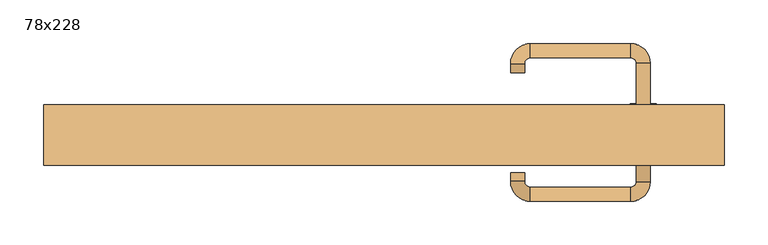
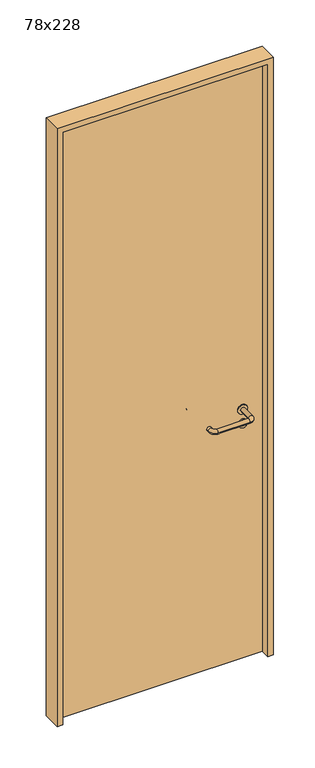
"""IFC4 building model written with IfcOpenShell, lengths in millimetres: door geometry, 78x228."""

import ifcopenshell
import ifcopenshell.guid

model = None  # the IFC model being written
_history = None  # IfcOwnerHistory: only IFC2X3 demands one
_inside = {}  # id of a spatial element -> (the spatial element, [elements in it])
_under = {}  # id of a project, library or spatial element -> (it, [spatial elements below it])
_declared = {}  # id of a project -> (the project, [libraries it declares])
_typed = {}  # id of a type object -> (the type object, [elements of that type])
_made_of = {}  # id of a material, layer set ... -> (it, [elements and type objects made of it])


def new_model(schema):
    """Start an empty IFC model of exactly this schema.

    Asked for "IFC4X3", IfcOpenShell would pick the latest addendum, in which some entities
    have other attributes; the version numbers below select the first issue.
    IFC2X3 requires an IfcOwnerHistory on every rooted entity: one is made here for all.
    """
    global model, _history
    if schema == "IFC4X3":
        model = ifcopenshell.file(schema_version=(4, 3, 0, 0))
    else:
        model = ifcopenshell.file(schema=schema)
    _inside.clear()
    _under.clear()
    _declared.clear()
    _typed.clear()
    _made_of.clear()
    _history = None
    if model.schema == "IFC2X3":
        org = make("IfcOrganization", Name="unknown")
        user = make(
            "IfcPersonAndOrganization",
            ThePerson=make("IfcPerson", FamilyName="unknown"),
            TheOrganization=org,
        )
        app = make(
            "IfcApplication",
            ApplicationDeveloper=org,
            Version="unknown",
            ApplicationFullName="unknown",
            ApplicationIdentifier="unknown",
        )
        _history = make(
            "IfcOwnerHistory",
            OwningUser=user,
            OwningApplication=app,
            ChangeAction="ADDED",
            CreationDate=0,
        )
    return model


def make(cls, **values):
    """One entity of the class cls with the attributes given. An attribute that is None is left unset."""
    return model.create_entity(
        cls, **{name: value for name, value in values.items() if value is not None}
    )


def rooted(cls, **values):
    """An entity with a GlobalId (a new one), such as an element, a storey or a relation."""
    return make(cls, GlobalId=ifcopenshell.guid.new(), OwnerHistory=_history, **values)


def si_unit(unit_type, name, prefix=None):
    """IfcSIUnit, for example si_unit("LENGTHUNIT", "METRE", prefix="MILLI")."""
    return make("IfcSIUnit", UnitType=unit_type, Prefix=prefix, Name=name)


def assignment(units):
    """IfcUnitAssignment: the units of a project."""
    return None if units is None else make("IfcUnitAssignment", Units=units)


def point(xyz):
    """IfcCartesianPoint."""
    return None if xyz is None else make("IfcCartesianPoint", Coordinates=xyz)


def direction(xyz):
    """IfcDirection."""
    return None if xyz is None else make("IfcDirection", DirectionRatios=xyz)


def frame(location, z_axis=None, x_axis=None):
    """IfcAxis2Placement3D, a coordinate frame: its origin and axes. An axis left out is left unset."""
    return make(
        "IfcAxis2Placement3D",
        Location=point(location),
        Axis=direction(z_axis),
        RefDirection=direction(x_axis),
    )


def frame_2d(location, x_axis=None):
    """IfcAxis2Placement2D, a coordinate frame in the plane: its origin and x axis."""
    return make(
        "IfcAxis2Placement2D", Location=point(location), RefDirection=direction(x_axis)
    )


def origin():
    """The frame at (0, 0, 0) with its axes left unset."""
    return frame((0.0, 0.0, 0.0))


def origin_with_axes():
    """The frame at (0, 0, 0) with the z axis (0, 0, 1) and the x axis (1, 0, 0) written out."""
    return frame((0.0, 0.0, 0.0), z_axis=(0.0, 0.0, 1.0), x_axis=(1.0, 0.0, 0.0))


def place(relative_to, where):
    """IfcLocalPlacement: puts the frame where relative to a parent placement (None: the world)."""
    return make(
        "IfcLocalPlacement", PlacementRelTo=relative_to, RelativePlacement=where
    )


def context(
    kind, dimensions, precision=None, world=None, true_north=None, identifier=None
):
    """IfcGeometricRepresentationContext, for example the 3D "Model" context."""
    return make(
        "IfcGeometricRepresentationContext",
        ContextIdentifier=identifier,
        ContextType=kind,
        CoordinateSpaceDimension=dimensions,
        Precision=precision,
        WorldCoordinateSystem=world,
        TrueNorth=true_north,
    )


def project(units=None, contexts=None):
    """IfcProject with its units and contexts."""
    return rooted(
        "IfcProject",
        Name="project",
        RepresentationContexts=contexts,
        UnitsInContext=assignment(units),
    )


def spatial(cls, under=None, at=None, **own):
    """A site, building, storey or space (cls), placed at a placement, below another one or the project."""
    s = rooted(cls, ObjectPlacement=at, **own)
    if under is not None:
        _under.setdefault(under.id(), (under, []))[1].append(s)
    return s


def polyline(points):
    """IfcPolyline through the points."""
    return make("IfcPolyline", Points=[point(p) for p in points])


def circle_curve(where, radius):
    """IfcCircle in the frame where."""
    return make("IfcCircle", Position=where, Radius=radius)


def ellipse_curve(where, semi_axis1, semi_axis2):
    """IfcEllipse in the frame where."""
    return make(
        "IfcEllipse", Position=where, SemiAxis1=semi_axis1, SemiAxis2=semi_axis2
    )


def trimmed(basis, trim1, trim2, sense, master):
    """IfcTrimmedCurve: the piece of a basis curve between two trims."""
    return make(
        "IfcTrimmedCurve",
        BasisCurve=basis,
        Trim1=trim1,
        Trim2=trim2,
        SenseAgreement=sense,
        MasterRepresentation=master,
    )


def segment(curve, same_sense, transition):
    """IfcCompositeCurveSegment."""
    return make(
        "IfcCompositeCurveSegment",
        Transition=transition,
        SameSense=same_sense,
        ParentCurve=curve,
    )


def composite_curve(segments, self_intersect=None):
    """IfcCompositeCurve: segments joined end to end."""
    return make("IfcCompositeCurve", Segments=segments, SelfIntersect=self_intersect)


def outline(outer, holes=None, kind="AREA"):
    """IfcArbitraryClosedProfileDef: a profile drawn as a closed curve; with holes, ...WithVoids."""
    if holes is None:
        return make("IfcArbitraryClosedProfileDef", ProfileType=kind, OuterCurve=outer)
    return make(
        "IfcArbitraryProfileDefWithVoids",
        ProfileType=kind,
        OuterCurve=outer,
        InnerCurves=holes,
    )


def extrude(swept, where, along, depth):
    """IfcExtrudedAreaSolid: the profile swept, set in the frame where, extruded along a direction by depth."""
    return make(
        "IfcExtrudedAreaSolid",
        SweptArea=swept,
        Position=where,
        ExtrudedDirection=direction(along),
        Depth=depth,
    )


def shape(context_of_items, identifier, shape_type, items):
    """IfcShapeRepresentation: the items that make up one representation, for example the "Body"."""
    return make(
        "IfcShapeRepresentation",
        ContextOfItems=context_of_items,
        RepresentationIdentifier=identifier,
        RepresentationType=shape_type,
        Items=items,
    )


def source(mapping_origin, context_of_items, identifier, shape_type, items):
    """IfcRepresentationMap: a shape defined once, which mapped items show again and again."""
    return make(
        "IfcRepresentationMap",
        MappingOrigin=mapping_origin,
        MappedRepresentation=shape(context_of_items, identifier, shape_type, items),
    )


def transform(
    local_origin,
    x_axis=None,
    y_axis=None,
    z_axis=None,
    scale=None,
    scale2=None,
    scale3=None,
    uniform=True,
):
    """IfcCartesianTransformationOperator3D, or its non-uniform kind. x_axis, y_axis, z_axis: its Axis1, 2, 3."""
    if uniform:
        return make(
            "IfcCartesianTransformationOperator3D",
            Axis1=direction(x_axis),
            Axis2=direction(y_axis),
            LocalOrigin=point(local_origin),
            Scale=scale,
            Axis3=direction(z_axis),
        )
    return make(
        "IfcCartesianTransformationOperator3DnonUniform",
        Axis1=direction(x_axis),
        Axis2=direction(y_axis),
        LocalOrigin=point(local_origin),
        Scale=scale,
        Axis3=direction(z_axis),
        Scale2=scale2,
        Scale3=scale3,
    )


def mapped(mapping_source, mapping_target):
    """IfcMappedItem: shows the shape of a source again, moved by a transform."""
    return make(
        "IfcMappedItem", MappingSource=mapping_source, MappingTarget=mapping_target
    )


def made_of(thing, what):
    """Note that an element or type object is made of a material, layer set ...; save() writes the relation."""
    if what is not None:
        _made_of.setdefault(what.id(), (what, []))[1].append(thing)
    return thing


def element(
    cls,
    number,
    at=None,
    inside=None,
    cuts=None,
    type_object=None,
    material=None,
    context=None,
    identifier="Body",
    shape_type=None,
    held_by="IfcProductDefinitionShape",
    body=None,
    shapes=None,
    **own,
):
    """One element of the class cls, such as IfcWall. Its Tag is "e" and its number.

    at: its placement. inside: the storey or other place that contains it. cuts: it is an
    opening in that element (IfcRelVoidsElement). A single representation is given by context,
    identifier, shape_type and body (its items); several are given by shapes. held_by: the class
    of the entity that holds the representations. save() writes the other relations.
    """
    e = rooted(cls, Tag="e%d" % number, ObjectPlacement=at, **own)
    if body is not None:
        shapes = [shape(context, identifier, shape_type, body)]
    if shapes is not None:
        e.Representation = make(held_by, Representations=shapes)
    if inside is not None:
        _inside.setdefault(inside.id(), (inside, []))[1].append(e)
    if cuts is not None:
        rooted(
            "IfcRelVoidsElement", RelatingBuildingElement=cuts, RelatedOpeningElement=e
        )
    if type_object is not None:
        _typed.setdefault(type_object.id(), (type_object, []))[1].append(e)
    return made_of(e, material)


def aggregate(whole, parts):
    """IfcRelAggregates: a whole, such as a stair, and the parts it consists of."""
    return rooted("IfcRelAggregates", RelatingObject=whole, RelatedObjects=parts)


def save(model, path):
    """Write the relations noted so far, then the file.

    IfcRelAggregates (storeys below a building ...), IfcRelContainedInSpatialStructure (elements
    in a storey), IfcRelDefinesByType, IfcRelAssociatesMaterial and IfcRelDeclares: one each for
    every whole, place, type object, material and project.
    """
    for whole, parts in _under.values():
        aggregate(whole, parts)
    for where, things in _inside.values():
        rooted(
            "IfcRelContainedInSpatialStructure",
            RelatedElements=things,
            RelatingStructure=where,
        )
    for kind, things in _typed.values():
        rooted("IfcRelDefinesByType", RelatedObjects=things, RelatingType=kind)
    for what, things in _made_of.values():
        rooted("IfcRelAssociatesMaterial", RelatedObjects=things, RelatingMaterial=what)
    for by, libraries in _declared.values():
        rooted("IfcRelDeclares", RelatingContext=by, RelatedDefinitions=libraries)
    model.write(path)


def plane_surface(at):
    """IfcPlane: the flat surface through the origin of the frame at, square to its z axis."""
    return make("IfcPlane", Position=at)


def cylinder_surface(at, radius):
    """IfcCylindricalSurface: all points at the distance radius from the z axis of the frame at."""
    return make("IfcCylindricalSurface", Position=at, Radius=radius)


def revolved_surface(curve, axis_point, axis_direction):
    """IfcSurfaceOfRevolution: the curve turned about the line through axis_point along axis_direction."""
    return make(
        "IfcSurfaceOfRevolution",
        SweptCurve=make("IfcArbitraryOpenProfileDef", ProfileType="CURVE", Curve=curve),
        AxisPosition=make("IfcAxis1Placement", Location=point(axis_point), Axis=direction(axis_direction)),
    )


def advanced_brep(points, edges, surfaces, faces):
    """IfcAdvancedBrep: a solid bounded by faces that lie on surfaces and meet in shared edges.

    An edge is (start, end): straight between two places in points (the first is 0);
    or (start, end, curve); or (start, end, curve, False) where it runs against its curve.
    A face is (place in surfaces, loops), or (place, loops, False) where it looks against
    its surface's normal. A loop lists edges by number (the first is 1), with a minus sign
    where the edge is run from its end to its start. The first loop is the outer one.
    """
    corners = [point(p) for p in points]
    vertices = [make("IfcVertexPoint", VertexGeometry=c) for c in corners]
    made = []
    for start, end, *more in edges:
        made.append(
            make(
                "IfcEdgeCurve",
                EdgeStart=vertices[start],
                EdgeEnd=vertices[end],
                EdgeGeometry=more[0] if more else make("IfcPolyline", Points=[corners[start], corners[end]]),
                SameSense=more[1] if len(more) > 1 else True,
            )
        )
    hull = []
    for where, loops, *sense in faces:
        bounds = []
        for j, loop in enumerate(loops):
            ring = [make("IfcOrientedEdge", EdgeElement=made[abs(k) - 1], Orientation=k > 0) for k in loop]
            bounds.append(
                make(
                    "IfcFaceOuterBound" if j == 0 else "IfcFaceBound",
                    Bound=make("IfcEdgeLoop", EdgeList=ring),
                    Orientation=True,
                )
            )
        hull.append(make("IfcAdvancedFace", Bounds=bounds, FaceSurface=surfaces[where], SameSense=sense[0] if sense else True))
    return make("IfcAdvancedBrep", Outer=make("IfcClosedShell", CfsFaces=hull))


def door_78x228_dbd31510(model_context):
    return source(origin(), model_context, "Body", "SolidModel", [
        extrude(outline(composite_curve([segment(trimmed(circle_curve(frame_2d((897.3605726, 297.0)), 15.0), [point((897.3605726, 312.0))], [point((897.3605726, 282.0))], False, "CARTESIAN"), True, "CONTINUOUS"), segment(trimmed(circle_curve(frame_2d((897.3605726, 297.0)), 15.0), [point((897.3605726, 282.0))], [point((897.3605726, 312.0))], False, "CARTESIAN"), True, "CONTINUOUS")], self_intersect=False), holes=[composite_curve([segment(trimmed(circle_curve(frame_2d((892.5833211, 296.9398032)), 2.0), [point((892.5833211, 298.9398032))], [point((892.5833211, 294.9398032))], True, "CARTESIAN"), True, "CONTINUOUS"), segment(polyline([(892.5833211, 294.9398032), (902.5833211, 294.9398032)]), True, "CONTINUOUS"), segment(trimmed(circle_curve(frame_2d((902.5833211, 296.9398032)), 2.0), [point((902.5833211, 294.9398032))], [point((902.5833211, 298.9398032))], True, "CARTESIAN"), True, "CONTINUOUS"), segment(polyline([(902.5833211, 298.9398032), (892.5833211, 298.9398032)]), True, "CONTINUOUS")], self_intersect=False)]), frame((0.0, 308.65, 0.0), z_axis=(0.0, 1.0, 0.0), x_axis=(0.0, 0.0, 1.0)), (0.0, 0.0, 1.0), 6.35),
        extrude(outline(composite_curve([segment(trimmed(circle_curve(frame_2d((950.0, 297.0)), 17.526), [point((950.0, 314.526))], [point((950.0, 279.474))], False, "CARTESIAN"), True, "CONTINUOUS"), segment(trimmed(circle_curve(frame_2d((950.0, 297.0)), 17.526), [point((950.0, 279.474))], [point((950.0, 314.526))], False, "CARTESIAN"), True, "CONTINUOUS")], self_intersect=False)), frame((0.0, 311.825, 0.0), z_axis=(0.0, 1.0, 0.0), x_axis=(0.0, 0.0, 1.0)), (0.0, 0.0, 1.0), 3.175),
        advanced_brep(
        [(305.0, 315.0, 950.0), (289.0, 315.0, 950.0), (289.0, 262.0, 950.0), (305.0, 262.0, 950.0), (282.8578644, 255.8578644, 950.0), (282.8578644, 239.8578644, 950.0), (167.8578644, 255.8578644, 950.0), (167.8578644, 239.8578644, 950.0), (161.008622, 262.7071068, 950.0), (145.008622, 262.7071068, 950.0), (145.008622, 272.7071068, 950.0), (161.008622, 272.7071068, 950.0)],
        [
            (0, 1, circle_curve(frame((297.0, 315.0, 950.0), z_axis=(0.0, 1.0, 0.0), x_axis=(-1.0, 0.0, 0.0)), 8.0)),
            (1, 0, circle_curve(frame((297.0, 315.0, 950.0), z_axis=(0.0, 1.0, 0.0), x_axis=(-1.0, 0.0, 0.0)), 8.0)),
            (1, 2),
            (2, 3, circle_curve(frame((297.0, 262.0, 950.0), z_axis=(0.0, 1.0, 0.0), x_axis=(-1.0, 0.0, 0.0)), 8.0)),
            (3, 0),
            (3, 2, circle_curve(frame((297.0, 262.0, 950.0), z_axis=(0.0, 1.0, 0.0), x_axis=(-1.0, 0.0, 0.0)), 8.0)),
            (4, 5, circle_curve(frame((282.8578644, 247.8578644, 950.0), z_axis=(1.0, 0.0, 0.0), x_axis=(0.0, 1.0, 0.0)), 8.0)),
            (5, 3, circle_curve(frame((282.8578644, 262.0, 950.0), z_axis=(0.0, 0.0, 1.0), x_axis=(1.0, 0.0, 0.0)), 22.1421356)),
            (2, 4, circle_curve(frame((282.8578644, 262.0, 950.0), z_axis=(0.0, 0.0, -1.0), x_axis=(1.0, 0.0, 0.0)), 6.1421356)),
            (5, 4, circle_curve(frame((282.8578644, 247.8578644, 950.0), z_axis=(1.0, 0.0, 0.0), x_axis=(0.0, 1.0, 0.0)), 8.0)),
            (4, 6),
            (6, 7, circle_curve(frame((167.8578644, 247.8578644, 950.0), z_axis=(1.0, 0.0, 0.0), x_axis=(0.0, 1.0, 0.0)), 8.0)),
            (7, 5),
            (7, 6, circle_curve(frame((167.8578644, 247.8578644, 950.0), z_axis=(1.0, 0.0, 0.0), x_axis=(0.0, 1.0, 0.0)), 8.0)),
            (8, 9, circle_curve(frame((153.008622, 262.7071068, 950.0), z_axis=(0.0, -1.0, 0.0), x_axis=(1.0, 0.0, 0.0)), 8.0)),
            (9, 7, circle_curve(frame((167.8578644, 262.7071068, 950.0), z_axis=(0.0, 0.0, 1.0), x_axis=(0.0, -1.0, 0.0)), 22.8492424)),
            (6, 8, circle_curve(frame((167.8578644, 262.7071068, 950.0), z_axis=(0.0, 0.0, -1.0), x_axis=(0.0, -1.0, 0.0)), 6.8492424)),
            (9, 8, circle_curve(frame((153.008622, 262.7071068, 950.0), z_axis=(0.0, -1.0, 0.0), x_axis=(1.0, 0.0, 0.0)), 8.0)),
            (10, 11, circle_curve(frame((153.008622, 272.7071068, 950.0), z_axis=(0.0, 1.0, 0.0), x_axis=(1.0, 0.0, 0.0)), 8.0)),
            (11, 10, circle_curve(frame((153.008622, 272.7071068, 950.0), z_axis=(0.0, 1.0, 0.0), x_axis=(1.0, 0.0, 0.0)), 8.0)),
            (8, 11),
            (10, 9),
        ],
        [
            plane_surface(frame((297.0, 315.0, 0.0), z_axis=(0.0, 1.0, 0.0), x_axis=(0.0, 0.0, 1.0))),
            cylinder_surface(frame((297.0, 315.0, 950.0), z_axis=(0.0, 1.0, 0.0), x_axis=(-1.0, 0.0, 0.0)), 8.0),
            revolved_surface(trimmed(ellipse_curve(frame((297.0, 262.0, 950.0), z_axis=(0.0, -1.0, 0.0), x_axis=(-1.0, 0.0, 0.0)), 8.0, 8.0), [point((305.0, 262.0, 950.0))], [point((289.0, 262.0, 950.0))], True, "CARTESIAN"), (282.8578644, 262.0, 0.0), (0.0, 0.0, 1.0)),
            revolved_surface(trimmed(ellipse_curve(frame((297.0, 262.0, 950.0), z_axis=(0.0, -1.0, 0.0), x_axis=(-1.0, 0.0, 0.0)), 8.0, 8.0), [point((289.0, 262.0, 950.0))], [point((305.0, 262.0, 950.0))], True, "CARTESIAN"), (282.8578644, 262.0, 0.0), (0.0, 0.0, 1.0)),
            cylinder_surface(frame((282.8578644, 247.8578644, 950.0), z_axis=(1.0, 0.0, 0.0), x_axis=(0.0, 1.0, 0.0)), 8.0),
            revolved_surface(trimmed(ellipse_curve(frame((167.8578644, 247.8578644, 950.0), z_axis=(-1.0, 0.0, 0.0), x_axis=(0.0, 1.0, 0.0)), 8.0, 8.0), [point((167.8578644, 239.8578644, 950.0))], [point((167.8578644, 255.8578644, 950.0))], True, "CARTESIAN"), (167.8578644, 262.7071068, 0.0), (0.0, 0.0, 1.0)),
            revolved_surface(trimmed(ellipse_curve(frame((167.8578644, 247.8578644, 950.0), z_axis=(-1.0, 0.0, 0.0), x_axis=(0.0, 1.0, 0.0)), 8.0, 8.0), [point((167.8578644, 255.8578644, 950.0))], [point((167.8578644, 239.8578644, 950.0))], True, "CARTESIAN"), (167.8578644, 262.7071068, 0.0), (0.0, 0.0, 1.0)),
            plane_surface(frame((153.008622, 272.7071068, 0.0), z_axis=(0.0, 1.0, 0.0), x_axis=(0.0, 0.0, 1.0))),
            cylinder_surface(frame((153.008622, 262.7071068, 950.0), z_axis=(0.0, -1.0, 0.0), x_axis=(1.0, 0.0, 0.0)), 8.0),
        ],
        [
            (0, [[1, 2]]),
            (1, [[3, 4, 5, -2]]),
            (1, [[-5, 6, -3, -1]]),
            (2, [[7, 8, -4, 9]]),
            (3, [[10, -9, -6, -8]]),
            (4, [[11, 12, 13, -7]]),
            (4, [[-13, 14, -11, -10]]),
            (5, [[15, 16, -12, 17]]),
            (6, [[18, -17, -14, -16]]),
            (7, [[19, 20]]),
            (8, [[21, -19, 22, -15]]),
            (8, [[-22, -20, -21, -18]]),
        ],
    ),
        extrude(outline(composite_curve([segment(trimmed(circle_curve(frame_2d((0.0, -15.0)), 15.0), [point((0.0, -30.0))], [point((0.0, 0.0))], False, "CARTESIAN"), True, "CONTINUOUS"), segment(trimmed(circle_curve(frame_2d((0.0, -15.0)), 15.0), [point((0.0, 0.0))], [point((0.0, -30.0))], False, "CARTESIAN"), True, "CONTINUOUS")], self_intersect=False), holes=[composite_curve([segment(trimmed(circle_curve(frame_2d((4.7772515, -14.9398032)), 2.0), [point((4.7772515, -16.9398032))], [point((4.7772515, -12.9398032))], True, "CARTESIAN"), True, "CONTINUOUS"), segment(polyline([(4.7772515, -12.9398032), (-5.2227485, -12.9398032)]), True, "CONTINUOUS"), segment(trimmed(circle_curve(frame_2d((-5.2227485, -14.9398032)), 2.0), [point((-5.2227485, -12.9398032))], [point((-5.2227485, -16.9398032))], True, "CARTESIAN"), True, "CONTINUOUS"), segment(polyline([(-5.2227485, -16.9398032), (4.7772515, -16.9398032)]), True, "CONTINUOUS")], self_intersect=False)]), frame((282.0, 345.0, 897.3605726), z_axis=(1.8870575173328306e-12, 1.0, 0.0), x_axis=(0.0, 0.0, -1.0)), (0.0, 0.0, 1.0), 6.35),
        extrude(outline(composite_curve([segment(trimmed(circle_curve(frame_2d((0.0, -17.526)), 17.526), [point((0.0, -35.052))], [point((0.0, 0.0))], False, "CARTESIAN"), True, "CONTINUOUS"), segment(trimmed(circle_curve(frame_2d((0.0, -17.526)), 17.526), [point((0.0, 0.0))], [point((0.0, -35.052))], False, "CARTESIAN"), True, "CONTINUOUS")], self_intersect=False)), frame((279.474, 345.0, 950.0), z_axis=(1.8870575173328306e-12, 1.0, 0.0), x_axis=(0.0, 0.0, -1.0)), (0.0, 0.0, 1.0), 3.175),
        advanced_brep(
        [(305.0, 345.0, 950.0), (289.0, 345.0, 950.0), (305.0, 398.0, 950.0), (289.0, 398.0, 950.0), (282.8578644, 404.1421356, 950.0), (282.8578644, 420.1421356, 950.0), (167.8578644, 420.1421356, 950.0), (167.8578644, 404.1421356, 950.0), (161.008622, 397.2928932, 950.0), (145.008622, 397.2928932, 950.0), (145.008622, 387.2928932, 950.0), (161.008622, 387.2928932, 950.0)],
        [
            (0, 1, circle_curve(frame((297.0, 345.0, 950.0), z_axis=(-1.888672253512351e-12, -1.0, 0.0), x_axis=(-1.0, 1.888672253512351e-12, 0.0)), 8.0)),
            (1, 0, circle_curve(frame((297.0, 345.0, 950.0), z_axis=(-1.888672253512351e-12, -1.0, 0.0), x_axis=(-1.0, 1.888672253512351e-12, 0.0)), 8.0)),
            (0, 2),
            (2, 3, circle_curve(frame((297.0, 398.0, 950.0), z_axis=(-1.888672253512351e-12, -1.0, 0.0), x_axis=(-1.0, 1.888672253512351e-12, 0.0)), 8.0)),
            (3, 1),
            (3, 2, circle_curve(frame((297.0, 398.0, 950.0), z_axis=(-1.888672253512351e-12, -1.0, 0.0), x_axis=(-1.0, 1.888672253512351e-12, 0.0)), 8.0)),
            (4, 3, circle_curve(frame((282.8578644, 398.0, 950.0), z_axis=(0.0, 0.0, -1.0), x_axis=(1.0, -1.880717803715015e-12, 0.0)), 6.1421356)),
            (2, 5, circle_curve(frame((282.8578644, 398.0, 950.0), z_axis=(0.0, 0.0, 1.0), x_axis=(1.0, -1.880717803715015e-12, 0.0)), 22.1421356)),
            (5, 4, circle_curve(frame((282.8578644, 412.1421356, 950.0), z_axis=(1.0, -1.913702061528922e-12, 0.0), x_axis=(-1.913702061528922e-12, -1.0, 0.0)), 8.0)),
            (4, 5, circle_curve(frame((282.8578644, 412.1421356, 950.0), z_axis=(1.0, -1.913702061528922e-12, 0.0), x_axis=(-1.913702061528922e-12, -1.0, 0.0)), 8.0)),
            (5, 6),
            (6, 7, circle_curve(frame((167.8578644, 412.1421356, 950.0), z_axis=(1.0, -1.913719828541269e-12, 0.0), x_axis=(-1.913719828541269e-12, -1.0, 0.0)), 8.0)),
            (7, 4),
            (7, 6, circle_curve(frame((167.8578644, 412.1421356, 950.0), z_axis=(1.0, -1.913719828541269e-12, 0.0), x_axis=(-1.913719828541269e-12, -1.0, 0.0)), 8.0)),
            (8, 7, circle_curve(frame((167.8578644, 397.2928932, 950.0), z_axis=(0.0, 0.0, -1.0), x_axis=(1.9120873253494017e-12, 1.0, 0.0)), 6.8492424)),
            (6, 9, circle_curve(frame((167.8578644, 397.2928932, 950.0), z_axis=(0.0, 0.0, 1.0), x_axis=(1.9120873253494017e-12, 1.0, 0.0)), 22.8492424)),
            (9, 8, circle_curve(frame((153.008622, 397.2928932, 950.0), z_axis=(1.890448610351751e-12, 1.0, 0.0), x_axis=(1.0, -1.890448610351751e-12, 0.0)), 8.0)),
            (8, 9, circle_curve(frame((153.008622, 397.2928932, 950.0), z_axis=(1.8888942981172756e-12, 1.0, 0.0), x_axis=(1.0, -1.8888942981172756e-12, 0.0)), 8.0)),
            (10, 11, circle_curve(frame((153.008622, 387.2928932, 950.0), z_axis=(-1.8903642334018795e-12, -1.0, 0.0), x_axis=(1.0, -1.8903642334018795e-12, 0.0)), 8.0)),
            (11, 10, circle_curve(frame((153.008622, 387.2928932, 950.0), z_axis=(-1.8903642334018795e-12, -1.0, 0.0), x_axis=(1.0, -1.8903642334018795e-12, 0.0)), 8.0)),
            (9, 10),
            (11, 8),
        ],
        [
            plane_surface(frame((297.0, 345.0, 0.0), z_axis=(-1.8870575173328306e-12, -1.0, 0.0), x_axis=(0.0, 0.0, 1.0))),
            cylinder_surface(frame((297.0, 345.0, 950.0), z_axis=(-1.888672253512351e-12, -1.0, 0.0), x_axis=(-1.0, 1.888672253512351e-12, 0.0)), 8.0),
            revolved_surface(trimmed(ellipse_curve(frame((297.0, 398.0, 950.0), z_axis=(-1.8823325398945356e-12, -1.0, 0.0), x_axis=(-1.0, 1.8823325398945356e-12, 0.0)), 8.0, 8.0), [point((305.0, 398.0, 950.0))], [point((289.0, 398.0, 950.0))], True, "CARTESIAN"), (282.8578644, 398.0, 0.0), (0.0, 0.0, 1.0)),
            revolved_surface(trimmed(ellipse_curve(frame((297.0, 398.0, 950.0), z_axis=(-1.8823325398945356e-12, -1.0, 0.0), x_axis=(-1.0, 1.8823325398945356e-12, 0.0)), 8.0, 8.0), [point((289.0, 398.0, 950.0))], [point((305.0, 398.0, 950.0))], True, "CARTESIAN"), (282.8578644, 398.0, 0.0), (0.0, 0.0, 1.0)),
            cylinder_surface(frame((282.8578644, 412.1421356, 950.0), z_axis=(1.0, -1.913719828541269e-12, 0.0), x_axis=(-1.913719828541269e-12, -1.0, 0.0)), 8.0),
            revolved_surface(trimmed(ellipse_curve(frame((167.8578644, 412.1421356, 950.0), z_axis=(1.0, -1.913702061528922e-12, 0.0), x_axis=(-1.913702061528922e-12, -1.0, 0.0)), 8.0, 8.0), [point((167.8578644, 420.1421356, 950.0))], [point((167.8578644, 404.1421356, 950.0))], True, "CARTESIAN"), (167.8578644, 397.2928932, 0.0), (0.0, 0.0, 1.0)),
            revolved_surface(trimmed(ellipse_curve(frame((167.8578644, 412.1421356, 950.0), z_axis=(1.0, -1.913702061528922e-12, 0.0), x_axis=(-1.913702061528922e-12, -1.0, 0.0)), 8.0, 8.0), [point((167.8578644, 404.1421356, 950.0))], [point((167.8578644, 420.1421356, 950.0))], True, "CARTESIAN"), (167.8578644, 397.2928932, 0.0), (0.0, 0.0, 1.0)),
            plane_surface(frame((153.008622, 387.2928932, 0.0), z_axis=(-1.8887494972223595e-12, -1.0, 0.0), x_axis=(0.0, 0.0, 1.0))),
            cylinder_surface(frame((153.008622, 397.2928932, 950.0), z_axis=(1.8903642334018795e-12, 1.0, 0.0), x_axis=(1.0, -1.8903642334018795e-12, 0.0)), 8.0),
        ],
        [
            (0, [[1, 2]]),
            (1, [[-1, 3, 4, 5]]),
            (1, [[-2, -5, 6, -3]]),
            (2, [[7, -4, 8, 9]]),
            (3, [[-8, -6, -7, 10]]),
            (4, [[-9, 11, 12, 13]]),
            (4, [[-10, -13, 14, -11]]),
            (5, [[15, -12, 16, 17]]),
            (6, [[-16, -14, -15, 18]]),
            (7, [[19, 20]]),
            (8, [[-17, 21, -20, 22]]),
            (8, [[-18, -22, -19, -21]]),
        ],
    ),
        extrude(outline(polyline([(2260.0, 370.0), (0.0, 370.0), (0.0, 390.0), (2280.0, 390.0), (2280.0, -390.0), (0.0, -390.0), (0.0, -370.0), (2260.0, -370.0), (2260.0, 370.0)])), frame((0.0, 280.6528193, 0.0), z_axis=(0.0, 1.0, 0.0), x_axis=(0.0, 0.0, 1.0)), (0.0, 0.0, 1.0), 69.3471807),
        extrude(outline(polyline([(-370.0, 345.0), (370.0, 345.0), (370.0, 315.0), (-370.0, 315.0), (-370.0, 345.0)])), origin_with_axes(), (0.0, 0.0, 1.0), 2260.0),
    ])


if __name__ == "__main__":
    model = new_model("IFC4")
    model_context = context("Model", 3, world=origin())
    ifc_project = project(units=[si_unit("LENGTHUNIT", "METRE", prefix="MILLI")], contexts=[model_context])
    site = spatial("IfcSite", under=ifc_project)
    building = spatial("IfcBuilding", under=site)
    placement = place(None, origin())
    door_78x228_shape = door_78x228_dbd31510(model_context)
    element("IfcDoor", 1, ObjectType="78x228", at=placement, inside=building, context=model_context, shape_type="MappedRepresentation", body=[
        mapped(door_78x228_shape, transform((0.0, 0.0, 0.0), x_axis=(1.0, 0.0, 0.0), y_axis=(0.0, 1.0, 0.0), z_axis=(0.0, 0.0, 1.0))),
    ])
    save(model, "model.ifc")
